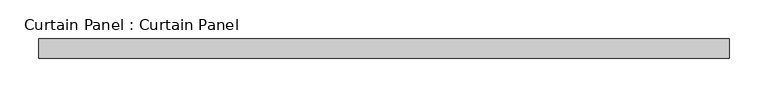
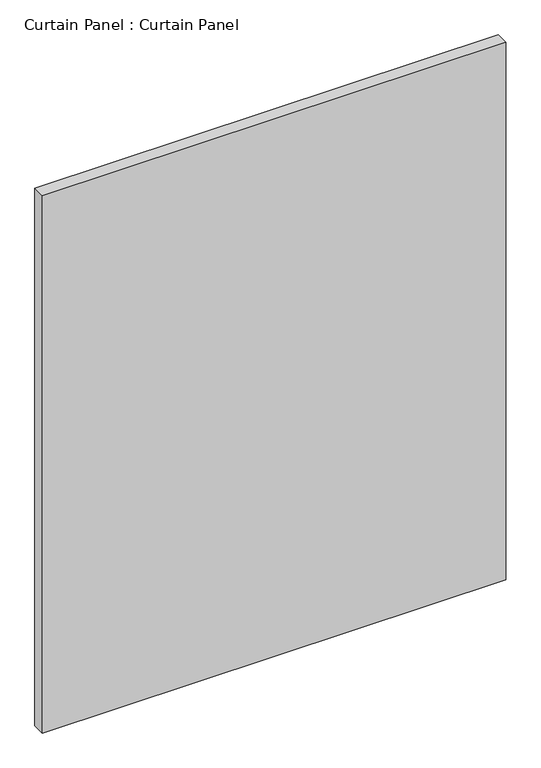
"""IFC4 building model written with IfcOpenShell, lengths in millimetres: plate geometry, Curtain Panel : Curtain Panel."""

from ifc_helpers import new_model, si_unit, frame, origin, place, context, project, spatial, polyline, outline, extrude, source, transform, mapped, element, save


def curtain_panel_curtain_panel_1a625e6c(model_context):
    return source(origin(), model_context, "Body", "SweptSolid", [
        extrude(outline(polyline([(-38058.2695566, -1996.9602036), (-38953.6193302, -1996.9602036), (-38953.6193302, -1971.5602036), (-38058.2695566, -1971.5602036), (-38058.2695566, -1996.9602036)])), frame((0.0, 0.0, -622.8354492), z_axis=(0.0, 0.0, 1.0), x_axis=(1.0, 0.0, 0.0)), (0.0, 0.0, 1.0), 1098.2140306),
    ])


if __name__ == "__main__":
    model = new_model("IFC4")
    model_context = context("Model", 3, world=origin())
    ifc_project = project(units=[si_unit("LENGTHUNIT", "METRE", prefix="MILLI")], contexts=[model_context])
    site = spatial("IfcSite", under=ifc_project)
    building = spatial("IfcBuilding", under=site)
    placement = place(None, origin())
    curtain_panel_curtain_panel_shape = curtain_panel_curtain_panel_1a625e6c(model_context)
    element("IfcPlate", 1, ObjectType="Curtain Panel : Curtain Panel", at=placement, inside=building, context=model_context, shape_type="MappedRepresentation", body=[
        mapped(curtain_panel_curtain_panel_shape, transform((0.0, 0.0, 0.0), x_axis=(1.0, 0.0, 0.0), y_axis=(0.0, 1.0, 0.0), z_axis=(0.0, 0.0, 1.0))),
    ])
    save(model, "model.ifc")
